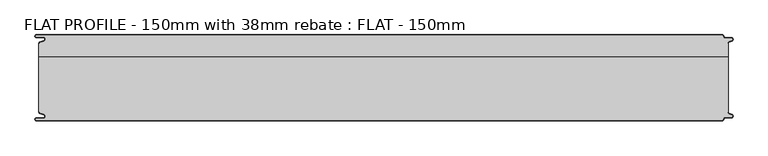
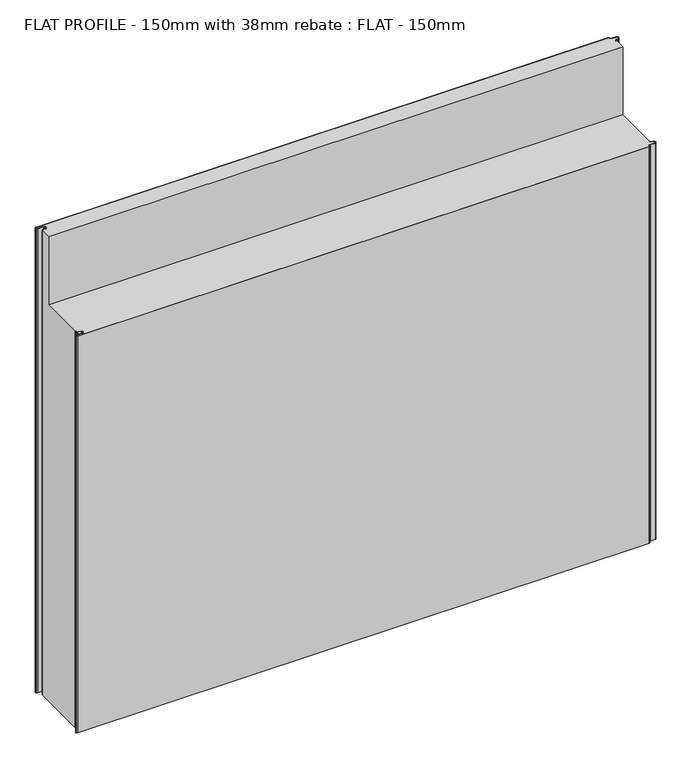
"""IFC4 building model written with IfcOpenShell, lengths in millimetres: proxy geometry, FLAT PROFILE - 150mm with 38mm rebate : FLAT - 150mm."""

import ifcopenshell
import ifcopenshell.guid

model = None  # the IFC model being written
_history = None  # IfcOwnerHistory: only IFC2X3 demands one
_inside = {}  # id of a spatial element -> (the spatial element, [elements in it])
_under = {}  # id of a project, library or spatial element -> (it, [spatial elements below it])
_declared = {}  # id of a project -> (the project, [libraries it declares])
_typed = {}  # id of a type object -> (the type object, [elements of that type])
_made_of = {}  # id of a material, layer set ... -> (it, [elements and type objects made of it])


def new_model(schema):
    """Start an empty IFC model of exactly this schema.

    Asked for "IFC4X3", IfcOpenShell would pick the latest addendum, in which some entities
    have other attributes; the version numbers below select the first issue.
    IFC2X3 requires an IfcOwnerHistory on every rooted entity: one is made here for all.
    """
    global model, _history
    if schema == "IFC4X3":
        model = ifcopenshell.file(schema_version=(4, 3, 0, 0))
    else:
        model = ifcopenshell.file(schema=schema)
    _inside.clear()
    _under.clear()
    _declared.clear()
    _typed.clear()
    _made_of.clear()
    _history = None
    if model.schema == "IFC2X3":
        org = make("IfcOrganization", Name="unknown")
        user = make(
            "IfcPersonAndOrganization",
            ThePerson=make("IfcPerson", FamilyName="unknown"),
            TheOrganization=org,
        )
        app = make(
            "IfcApplication",
            ApplicationDeveloper=org,
            Version="unknown",
            ApplicationFullName="unknown",
            ApplicationIdentifier="unknown",
        )
        _history = make(
            "IfcOwnerHistory",
            OwningUser=user,
            OwningApplication=app,
            ChangeAction="ADDED",
            CreationDate=0,
        )
    return model


def make(cls, **values):
    """One entity of the class cls with the attributes given. An attribute that is None is left unset."""
    return model.create_entity(
        cls, **{name: value for name, value in values.items() if value is not None}
    )


def rooted(cls, **values):
    """An entity with a GlobalId (a new one), such as an element, a storey or a relation."""
    return make(cls, GlobalId=ifcopenshell.guid.new(), OwnerHistory=_history, **values)


def si_unit(unit_type, name, prefix=None):
    """IfcSIUnit, for example si_unit("LENGTHUNIT", "METRE", prefix="MILLI")."""
    return make("IfcSIUnit", UnitType=unit_type, Prefix=prefix, Name=name)


def assignment(units):
    """IfcUnitAssignment: the units of a project."""
    return None if units is None else make("IfcUnitAssignment", Units=units)


def point(xyz):
    """IfcCartesianPoint."""
    return None if xyz is None else make("IfcCartesianPoint", Coordinates=xyz)


def direction(xyz):
    """IfcDirection."""
    return None if xyz is None else make("IfcDirection", DirectionRatios=xyz)


def frame(location, z_axis=None, x_axis=None):
    """IfcAxis2Placement3D, a coordinate frame: its origin and axes. An axis left out is left unset."""
    return make(
        "IfcAxis2Placement3D",
        Location=point(location),
        Axis=direction(z_axis),
        RefDirection=direction(x_axis),
    )


def frame_2d(location, x_axis=None):
    """IfcAxis2Placement2D, a coordinate frame in the plane: its origin and x axis."""
    return make(
        "IfcAxis2Placement2D", Location=point(location), RefDirection=direction(x_axis)
    )


def origin():
    """The frame at (0, 0, 0) with its axes left unset."""
    return frame((0.0, 0.0, 0.0))


def origin_with_axes():
    """The frame at (0, 0, 0) with the z axis (0, 0, 1) and the x axis (1, 0, 0) written out."""
    return frame((0.0, 0.0, 0.0), z_axis=(0.0, 0.0, 1.0), x_axis=(1.0, 0.0, 0.0))


def place(relative_to, where):
    """IfcLocalPlacement: puts the frame where relative to a parent placement (None: the world)."""
    return make(
        "IfcLocalPlacement", PlacementRelTo=relative_to, RelativePlacement=where
    )


def context(
    kind, dimensions, precision=None, world=None, true_north=None, identifier=None
):
    """IfcGeometricRepresentationContext, for example the 3D "Model" context."""
    return make(
        "IfcGeometricRepresentationContext",
        ContextIdentifier=identifier,
        ContextType=kind,
        CoordinateSpaceDimension=dimensions,
        Precision=precision,
        WorldCoordinateSystem=world,
        TrueNorth=true_north,
    )


def project(units=None, contexts=None):
    """IfcProject with its units and contexts."""
    return rooted(
        "IfcProject",
        Name="project",
        RepresentationContexts=contexts,
        UnitsInContext=assignment(units),
    )


def spatial(cls, under=None, at=None, **own):
    """A site, building, storey or space (cls), placed at a placement, below another one or the project."""
    s = rooted(cls, ObjectPlacement=at, **own)
    if under is not None:
        _under.setdefault(under.id(), (under, []))[1].append(s)
    return s


def polyline(points):
    """IfcPolyline through the points."""
    return make("IfcPolyline", Points=[point(p) for p in points])


def circle_curve(where, radius):
    """IfcCircle in the frame where."""
    return make("IfcCircle", Position=where, Radius=radius)


def trimmed(basis, trim1, trim2, sense, master):
    """IfcTrimmedCurve: the piece of a basis curve between two trims."""
    return make(
        "IfcTrimmedCurve",
        BasisCurve=basis,
        Trim1=trim1,
        Trim2=trim2,
        SenseAgreement=sense,
        MasterRepresentation=master,
    )


def segment(curve, same_sense, transition):
    """IfcCompositeCurveSegment."""
    return make(
        "IfcCompositeCurveSegment",
        Transition=transition,
        SameSense=same_sense,
        ParentCurve=curve,
    )


def composite_curve(segments, self_intersect=None):
    """IfcCompositeCurve: segments joined end to end."""
    return make("IfcCompositeCurve", Segments=segments, SelfIntersect=self_intersect)


def outline(outer, holes=None, kind="AREA"):
    """IfcArbitraryClosedProfileDef: a profile drawn as a closed curve; with holes, ...WithVoids."""
    if holes is None:
        return make("IfcArbitraryClosedProfileDef", ProfileType=kind, OuterCurve=outer)
    return make(
        "IfcArbitraryProfileDefWithVoids",
        ProfileType=kind,
        OuterCurve=outer,
        InnerCurves=holes,
    )


def extrude(swept, where, along, depth):
    """IfcExtrudedAreaSolid: the profile swept, set in the frame where, extruded along a direction by depth."""
    return make(
        "IfcExtrudedAreaSolid",
        SweptArea=swept,
        Position=where,
        ExtrudedDirection=direction(along),
        Depth=depth,
    )


def shape(context_of_items, identifier, shape_type, items):
    """IfcShapeRepresentation: the items that make up one representation, for example the "Body"."""
    return make(
        "IfcShapeRepresentation",
        ContextOfItems=context_of_items,
        RepresentationIdentifier=identifier,
        RepresentationType=shape_type,
        Items=items,
    )


def source(mapping_origin, context_of_items, identifier, shape_type, items):
    """IfcRepresentationMap: a shape defined once, which mapped items show again and again."""
    return make(
        "IfcRepresentationMap",
        MappingOrigin=mapping_origin,
        MappedRepresentation=shape(context_of_items, identifier, shape_type, items),
    )


def transform(
    local_origin,
    x_axis=None,
    y_axis=None,
    z_axis=None,
    scale=None,
    scale2=None,
    scale3=None,
    uniform=True,
):
    """IfcCartesianTransformationOperator3D, or its non-uniform kind. x_axis, y_axis, z_axis: its Axis1, 2, 3."""
    if uniform:
        return make(
            "IfcCartesianTransformationOperator3D",
            Axis1=direction(x_axis),
            Axis2=direction(y_axis),
            LocalOrigin=point(local_origin),
            Scale=scale,
            Axis3=direction(z_axis),
        )
    return make(
        "IfcCartesianTransformationOperator3DnonUniform",
        Axis1=direction(x_axis),
        Axis2=direction(y_axis),
        LocalOrigin=point(local_origin),
        Scale=scale,
        Axis3=direction(z_axis),
        Scale2=scale2,
        Scale3=scale3,
    )


def mapped(mapping_source, mapping_target):
    """IfcMappedItem: shows the shape of a source again, moved by a transform."""
    return make(
        "IfcMappedItem", MappingSource=mapping_source, MappingTarget=mapping_target
    )


def made_of(thing, what):
    """Note that an element or type object is made of a material, layer set ...; save() writes the relation."""
    if what is not None:
        _made_of.setdefault(what.id(), (what, []))[1].append(thing)
    return thing


def element(
    cls,
    number,
    at=None,
    inside=None,
    cuts=None,
    type_object=None,
    material=None,
    context=None,
    identifier="Body",
    shape_type=None,
    held_by="IfcProductDefinitionShape",
    body=None,
    shapes=None,
    **own,
):
    """One element of the class cls, such as IfcWall. Its Tag is "e" and its number.

    at: its placement. inside: the storey or other place that contains it. cuts: it is an
    opening in that element (IfcRelVoidsElement). A single representation is given by context,
    identifier, shape_type and body (its items); several are given by shapes. held_by: the class
    of the entity that holds the representations. save() writes the other relations.
    """
    e = rooted(cls, Tag="e%d" % number, ObjectPlacement=at, **own)
    if body is not None:
        shapes = [shape(context, identifier, shape_type, body)]
    if shapes is not None:
        e.Representation = make(held_by, Representations=shapes)
    if inside is not None:
        _inside.setdefault(inside.id(), (inside, []))[1].append(e)
    if cuts is not None:
        rooted(
            "IfcRelVoidsElement", RelatingBuildingElement=cuts, RelatedOpeningElement=e
        )
    if type_object is not None:
        _typed.setdefault(type_object.id(), (type_object, []))[1].append(e)
    return made_of(e, material)


def aggregate(whole, parts):
    """IfcRelAggregates: a whole, such as a stair, and the parts it consists of."""
    return rooted("IfcRelAggregates", RelatingObject=whole, RelatedObjects=parts)


def save(model, path):
    """Write the relations noted so far, then the file.

    IfcRelAggregates (storeys below a building ...), IfcRelContainedInSpatialStructure (elements
    in a storey), IfcRelDefinesByType, IfcRelAssociatesMaterial and IfcRelDeclares: one each for
    every whole, place, type object, material and project.
    """
    for whole, parts in _under.values():
        aggregate(whole, parts)
    for where, things in _inside.values():
        rooted(
            "IfcRelContainedInSpatialStructure",
            RelatedElements=things,
            RelatingStructure=where,
        )
    for kind, things in _typed.values():
        rooted("IfcRelDefinesByType", RelatedObjects=things, RelatingType=kind)
    for what, things in _made_of.values():
        rooted("IfcRelAssociatesMaterial", RelatedObjects=things, RelatingMaterial=what)
    for by, libraries in _declared.values():
        rooted("IfcRelDeclares", RelatingContext=by, RelatedDefinitions=libraries)
    model.write(path)


def plane_surface(at):
    """IfcPlane: the flat surface through the origin of the frame at, square to its z axis."""
    return make("IfcPlane", Position=at)


def cylinder_surface(at, radius):
    """IfcCylindricalSurface: all points at the distance radius from the z axis of the frame at."""
    return make("IfcCylindricalSurface", Position=at, Radius=radius)


def revolved_surface(curve, axis_point, axis_direction):
    """IfcSurfaceOfRevolution: the curve turned about the line through axis_point along axis_direction."""
    return make(
        "IfcSurfaceOfRevolution",
        SweptCurve=make("IfcArbitraryOpenProfileDef", ProfileType="CURVE", Curve=curve),
        AxisPosition=make("IfcAxis1Placement", Location=point(axis_point), Axis=direction(axis_direction)),
    )


def advanced_brep(points, edges, surfaces, faces):
    """IfcAdvancedBrep: a solid bounded by faces that lie on surfaces and meet in shared edges.

    An edge is (start, end): straight between two places in points (the first is 0);
    or (start, end, curve); or (start, end, curve, False) where it runs against its curve.
    A face is (place in surfaces, loops), or (place, loops, False) where it looks against
    its surface's normal. A loop lists edges by number (the first is 1), with a minus sign
    where the edge is run from its end to its start. The first loop is the outer one.
    """
    corners = [point(p) for p in points]
    vertices = [make("IfcVertexPoint", VertexGeometry=c) for c in corners]
    made = []
    for start, end, *more in edges:
        made.append(
            make(
                "IfcEdgeCurve",
                EdgeStart=vertices[start],
                EdgeEnd=vertices[end],
                EdgeGeometry=more[0] if more else make("IfcPolyline", Points=[corners[start], corners[end]]),
                SameSense=more[1] if len(more) > 1 else True,
            )
        )
    hull = []
    for where, loops, *sense in faces:
        bounds = []
        for j, loop in enumerate(loops):
            ring = [make("IfcOrientedEdge", EdgeElement=made[abs(k) - 1], Orientation=k > 0) for k in loop]
            bounds.append(
                make(
                    "IfcFaceOuterBound" if j == 0 else "IfcFaceBound",
                    Bound=make("IfcEdgeLoop", EdgeList=ring),
                    Orientation=True,
                )
            )
        hull.append(make("IfcAdvancedFace", Bounds=bounds, FaceSurface=surfaces[where], SameSense=sense[0] if sense else True))
    return make("IfcAdvancedBrep", Outer=make("IfcClosedShell", CfsFaces=hull))


def flat_profile_150mm_with_38mm_rebate_flat_150mm_8ee31aeb(model_context):
    return source(origin(), model_context, "Body", "SolidModel", [
        advanced_brep(
        [(-592.9881924, 59.2522214, 1025.0), (-592.9881924, 36.9999981, 1025.0), (607.0118076, 36.9999981, 1025.0), (607.0118076, 59.2522195, 1025.0), (606.0107004, 59.2522195, 1025.0), (606.0682599, 60.4750703, 1025.0), (607.8546835, 62.9154119, 1025.0), (610.7828028, 64.1062964, 1025.0), (613.0435993, 64.9316951, 1025.0), (612.3116271, 68.9999981, 1025.0), (601.9112919, 68.9999981, 1025.0), (598.4115951, 72.45393, 1025.0), (596.902372, 73.9999981, 1025.0), (-597.3084562, 73.9999981, 1025.0), (-597.3733883, 71.016007, 1025.0), (-584.9273771, 71.016007, 1025.0), (-583.8995097, 63.9124389, 1025.0), (-589.3904999, 61.9138819, 1025.0), (-591.3794419, 61.1128932, 1025.0), (-591.9881924, 60.3779319, 1025.0), (-591.9881924, 59.2522214, 1025.0), (-591.3794419, -61.1128969, 0.0), (-591.9881924, -60.3779357, 0.0), (-591.9881924, -59.2522214, 0.0), (-592.9881924, -59.2522214, 0.0), (-592.9881924, 59.2522214, 0.0), (-591.9881924, 59.2522214, 0.0), (-591.9881924, 60.3779319, 0.0), (-591.3794419, 61.1128932, 0.0), (-589.3904999, 61.9138819, 0.0), (-583.8995097, 63.9124389, 0.0), (-584.9273771, 71.016007, 0.0), (-597.3733883, 71.016007, 0.0), (-597.3084562, 73.9999981, 0.0), (596.902372, 73.9999981, 0.0), (598.4115951, 72.45393, 0.0), (601.9112919, 68.9999981, 0.0), (612.3116271, 68.9999981, 0.0), (613.0435993, 64.9316951, 0.0), (610.7828028, 64.1062964, 0.0), (607.8546835, 62.9154119, 0.0), (606.0682599, 60.4750703, 0.0), (606.0107004, 59.2522195, 0.0), (607.0118076, 59.2522195, 0.0), (607.0118076, -59.2522232, 0.0), (606.0107004, -59.2522232, 0.0), (606.0682599, -60.475074, 0.0), (607.8546835, -62.9154156, 0.0), (610.7828028, -64.1063001, 0.0), (613.0435993, -64.9316988, 0.0), (612.3116271, -69.0000019, 0.0), (601.9112919, -69.0000019, 0.0), (598.4115951, -72.4539337, 0.0), (596.902372, -74.0000019, 0.0), (-597.3084562, -74.0000019, 0.0), (-597.3733883, -71.0160107, 0.0), (-584.9273771, -71.0160107, 0.0), (-583.8995097, -63.9124426, 0.0), (-589.3904999, -61.9138856, 0.0), (-591.3794419, -61.1128969, 875.0), (-591.9881924, -60.3779357, 875.0), (-591.9881924, -59.2522214, 875.0), (-592.9881924, -59.2522214, 875.0), (-592.9881924, 36.9999981, 875.0), (607.0118076, 36.9999981, 875.0), (607.0118076, -59.2522232, 875.0), (606.0107004, -59.2522232, 875.0), (606.0682599, -60.475074, 875.0), (607.8546835, -62.9154156, 875.0), (610.7828028, -64.1063001, 875.0), (613.0435993, -64.9316988, 875.0), (612.3116271, -69.0000019, 875.0), (601.9112919, -69.0000019, 875.0), (598.4115951, -72.4539337, 875.0), (596.902372, -74.0000019, 875.0), (-597.3084562, -74.0000019, 875.0), (-597.3733883, -71.0160107, 875.0), (-584.9273771, -71.0160107, 875.0), (-583.8995097, -63.9124426, 875.0), (-589.3904999, -61.9138856, 875.0)],
        [
            (0, 1),
            (1, 2),
            (2, 3),
            (3, 4),
            (4, 5),
            (5, 6, circle_curve(frame((608.9399875, 60.2468916, 1025.0), z_axis=(0.0, 0.0, -1.0), x_axis=(-0.37673982165718617, 0.9263191171392889, 0.0)), 2.8807786)),
            (6, 7),
            (7, 8),
            (8, 9, circle_curve(frame((612.3116271, 66.8999981, 1025.0), z_axis=(0.0, 0.0, 1.0), x_axis=(0.0, 1.0, 0.0)), 2.1)),
            (9, 10),
            (10, 11, circle_curve(frame((601.9112919, 72.4999981, 1025.0), z_axis=(0.0, 0.0, -1.0), x_axis=(-0.9999133729245651, -0.013162319196090405, 0.0)), 3.5)),
            (11, 12, circle_curve(frame((596.9047345, 72.4926422, 1025.0), z_axis=(0.0, 0.0, 1.0), x_axis=(-0.0015673364807945796, 0.9999987717274237, 0.0)), 1.5073578)),
            (12, 13),
            (13, 14, circle_curve(frame((-597.4921978, 72.5112943, 1025.0), z_axis=(0.0, 0.0, 1.0), x_axis=(0.07920631384695365, -0.9968582446099234, 0.0)), 1.5)),
            (14, 15),
            (15, 16, circle_curve(frame((-585.2882153, 67.3376458, 1025.0), z_axis=(0.0, 0.0, -1.0), x_axis=(0.3757302444367238, -0.926729077678865, 0.0)), 3.6960175)),
            (16, 17),
            (17, 18),
            (18, 19, circle_curve(frame((-591.0050311, 60.1831907, 1025.0), z_axis=(0.0, 0.0, 1.0), x_axis=(-0.9809418279781315, 0.1943016472470625, 0.0)), 1.0022625)),
            (19, 20),
            (20, 0),
            (21, 22, circle_curve(frame((-591.0050311, -60.1831944, 0.0), z_axis=(0.0, 0.0, -1.0), x_axis=(-0.9809418279781308, -0.19430164724706622, 0.0)), 1.0022625)),
            (22, 23),
            (23, 24),
            (24, 25),
            (25, 26),
            (26, 27),
            (27, 28, circle_curve(frame((-591.0050311, 60.1831907, 0.0), z_axis=(0.0, 0.0, -1.0), x_axis=(-0.9809418279781315, 0.1943016472470625, 0.0)), 1.0022625)),
            (28, 29),
            (29, 30),
            (30, 31, circle_curve(frame((-585.2882153, 67.3376458, 0.0), z_axis=(0.0, 0.0, 1.0), x_axis=(0.3757302444367238, -0.926729077678865, 0.0)), 3.6960175)),
            (31, 32),
            (32, 33, circle_curve(frame((-597.4921978, 72.5112943, 0.0), z_axis=(0.0, 0.0, -1.0), x_axis=(0.07920631384695365, -0.9968582446099234, 0.0)), 1.5)),
            (33, 34),
            (34, 35, circle_curve(frame((596.9047345, 72.4926422, 0.0), z_axis=(0.0, 0.0, -1.0), x_axis=(-0.0015673364807945796, 0.9999987717274237, 0.0)), 1.5073578)),
            (35, 36, circle_curve(frame((601.9112919, 72.4999981, 0.0), z_axis=(0.0, 0.0, 1.0), x_axis=(-0.9999133729245651, -0.013162319196090405, 0.0)), 3.5)),
            (36, 37),
            (37, 38, circle_curve(frame((612.3116271, 66.8999981, 0.0), z_axis=(0.0, 0.0, -1.0), x_axis=(0.0, 1.0, 0.0)), 2.1)),
            (38, 39),
            (39, 40),
            (40, 41, circle_curve(frame((608.9399875, 60.2468916, 0.0), z_axis=(0.0, 0.0, 1.0), x_axis=(-0.37673982165718617, 0.9263191171392889, 0.0)), 2.8807786)),
            (41, 42),
            (42, 43),
            (43, 44),
            (44, 45),
            (45, 46),
            (46, 47, circle_curve(frame((608.9399875, -60.2468953, 0.0), z_axis=(0.0, 0.0, 1.0), x_axis=(-0.3767398216573044, -0.9263191171392408, 0.0)), 2.8807786)),
            (47, 48),
            (48, 49),
            (49, 50, circle_curve(frame((612.3116271, -66.9000019, 0.0), z_axis=(0.0, 0.0, -1.0), x_axis=(0.0, -1.0, 0.0)), 2.1)),
            (50, 51),
            (51, 52, circle_curve(frame((601.9112919, -72.5000019, 0.0), z_axis=(0.0, 0.0, 1.0), x_axis=(-0.9999133729245651, 0.01316231919608663, 0.0)), 3.5)),
            (52, 53, circle_curve(frame((596.9047345, -72.4926459, 0.0), z_axis=(0.0, 0.0, -1.0), x_axis=(-0.001567336480790923, -0.9999987717274237, 0.0)), 1.5073578)),
            (53, 54),
            (54, 55, circle_curve(frame((-597.4921978, -72.511298, 0.0), z_axis=(0.0, 0.0, -1.0), x_axis=(0.07920631384694989, 0.9968582446099238, 0.0)), 1.5)),
            (55, 56),
            (56, 57, circle_curve(frame((-585.2882153, -67.3376495, 0.0), z_axis=(0.0, 0.0, 1.0), x_axis=(0.3757302444367203, 0.9267290776788665, 0.0)), 3.6960175)),
            (57, 58),
            (58, 21),
            (21, 59),
            (59, 60, circle_curve(frame((-591.0050311, -60.1831944, 875.0), z_axis=(0.0, 0.0, -1.0), x_axis=(-0.9809418279781308, -0.19430164724706622, 0.0)), 1.0022625)),
            (60, 22),
            (60, 61),
            (61, 23),
            (61, 62),
            (62, 24),
            (62, 63),
            (63, 1),
            (0, 25),
            (20, 26),
            (19, 27),
            (18, 28),
            (17, 29),
            (16, 30),
            (15, 31),
            (14, 32),
            (13, 33),
            (12, 34),
            (11, 35),
            (10, 36),
            (9, 37),
            (8, 38),
            (7, 39),
            (6, 40),
            (5, 41),
            (4, 42),
            (3, 43),
            (2, 64),
            (64, 65),
            (65, 44),
            (65, 66),
            (66, 45),
            (66, 67),
            (67, 46),
            (67, 68, circle_curve(frame((608.9399875, -60.2468953, 875.0), z_axis=(0.0, 0.0, 1.0), x_axis=(-0.3767398216573044, -0.9263191171392408, 0.0)), 2.8807786)),
            (68, 47),
            (68, 69),
            (69, 48),
            (69, 70),
            (70, 49),
            (70, 71, circle_curve(frame((612.3116271, -66.9000019, 875.0), z_axis=(0.0, 0.0, -1.0), x_axis=(0.0, -1.0, 0.0)), 2.1)),
            (71, 50),
            (71, 72),
            (72, 51),
            (72, 73, circle_curve(frame((601.9112919, -72.5000019, 875.0), z_axis=(0.0, 0.0, 1.0), x_axis=(-0.9999133729245651, 0.01316231919608663, 0.0)), 3.5)),
            (73, 52),
            (73, 74, circle_curve(frame((596.9047345, -72.4926459, 875.0), z_axis=(0.0, 0.0, -1.0), x_axis=(-0.001567336480790923, -0.9999987717274237, 0.0)), 1.5073578)),
            (74, 53),
            (74, 75),
            (75, 54),
            (75, 76, circle_curve(frame((-597.4921978, -72.511298, 875.0), z_axis=(0.0, 0.0, -1.0), x_axis=(0.07920631384694989, 0.9968582446099238, 0.0)), 1.5)),
            (76, 55),
            (76, 77),
            (77, 56),
            (77, 78, circle_curve(frame((-585.2882153, -67.3376495, 875.0), z_axis=(0.0, 0.0, 1.0), x_axis=(0.3757302444367203, 0.9267290776788665, 0.0)), 3.6960175)),
            (78, 57),
            (78, 79),
            (79, 58),
            (79, 59),
            (64, 63),
        ],
        [
            plane_surface(frame((0.0, 0.0, 1025.0), z_axis=(0.0, 0.0, 1.0), x_axis=(1.0, 0.0, 0.0))),
            plane_surface(frame((0.0, 0.0, 0.0), z_axis=(0.0, 0.0, -1.0), x_axis=(1.0, 0.0, 0.0))),
            cylinder_surface(frame((-591.0050311, -60.1831944, 1025.0), z_axis=(0.0, 0.0, 1.0), x_axis=(-0.9809418279781308, -0.19430164724706622, 0.0)), 1.0022625),
            plane_surface(frame((-591.9881924, -60.3779357, 1025.0), z_axis=(-1.0, 0.0, 0.0), x_axis=(0.0, 0.0, -1.0))),
            plane_surface(frame((-591.9881924, -59.2522214, 1025.0), z_axis=(0.0, -1.0, 0.0), x_axis=(0.0, 0.0, -1.0))),
            plane_surface(frame((-592.9881924, -59.2522214, 1025.0), z_axis=(-1.0, 0.0, 0.0), x_axis=(0.0, 0.0, -1.0))),
            plane_surface(frame((-592.9881924, 59.2522214, 1025.0), z_axis=(0.0, 1.0, 0.0), x_axis=(0.0, 0.0, -1.0))),
            plane_surface(frame((-591.9881924, 59.2522214, 1025.0), z_axis=(-1.0, 0.0, 0.0), x_axis=(0.0, 0.0, -1.0))),
            cylinder_surface(frame((-591.0050311, 60.1831907, 1025.0), z_axis=(0.0, 0.0, 1.0), x_axis=(-0.9809418279781315, 0.1943016472470625, 0.0)), 1.0022625),
            plane_surface(frame((-591.3794419, 61.1128932, 1025.0), z_axis=(-0.3735655344162246, 0.927603790147669, 0.0), x_axis=(0.0, 0.0, -1.0))),
            plane_surface(frame((-589.3904999, 61.9138819, 1025.0), z_axis=(-0.34202014332566044, 0.9396926207859114, 0.0), x_axis=(0.0, 0.0, -1.0))),
            revolved_surface(polyline([(-583.8995097412826, 63.91243891114006, 0.0), (-583.8995097412826, 63.91243891114006, 1025.0)]), (-585.2882153, 67.3376458, 1025.0), (0.0, 0.0, -1.0)),
            plane_surface(frame((-584.9273771, 71.016007, 1025.0), z_axis=(0.0, -1.0, 0.0), x_axis=(0.0, 0.0, -1.0))),
            cylinder_surface(frame((-597.4921978, 72.5112943, 1025.0), z_axis=(0.0, 0.0, 1.0), x_axis=(0.07920631384695365, -0.9968582446099234, 0.0)), 1.5),
            plane_surface(frame((-597.3084562, 73.9999981, 1025.0), z_axis=(0.0, 1.0, 0.0), x_axis=(0.0, 0.0, -1.0))),
            cylinder_surface(frame((596.9047345, 72.4926422, 1025.0), z_axis=(0.0, 0.0, 1.0), x_axis=(-0.0015673364807945796, 0.9999987717274237, 0.0)), 1.5073578),
            revolved_surface(polyline([(598.411595094764, 72.45392998281368, 0.0), (598.411595094764, 72.45392998281368, 1025.0)]), (601.9112919, 72.4999981, 1025.0), (0.0, 0.0, -1.0)),
            plane_surface(frame((601.9112919, 68.9999981, 1025.0), z_axis=(0.0, 1.0, 0.0), x_axis=(0.0, 0.0, -1.0))),
            cylinder_surface(frame((612.3116271, 66.8999981, 1025.0), z_axis=(0.0, 0.0, 1.0), x_axis=(0.0, 1.0, 0.0)), 2.1),
            plane_surface(frame((613.0435993, 64.9316951, 1025.0), z_axis=(0.3429504420524923, -0.939353498048525, 0.0), x_axis=(0.0, 0.0, -1.0))),
            plane_surface(frame((610.7828028, 64.1062964, 1025.0), z_axis=(0.3767398216573625, -0.9263191171392172, 0.0), x_axis=(0.0, 0.0, -1.0))),
            revolved_surface(polyline([(607.8546834840022, 62.915411889425755, -4.547473508864641e-13), (607.8546834840022, 62.915411889425755, 1025.0)]), (608.9399875, 60.2468916, 1025.0), (0.0, 0.0, -1.0000000000000002)),
            plane_surface(frame((606.0682599, 60.4750703, 1025.0), z_axis=(0.9988940489238197, -0.047017858570736114, 0.0), x_axis=(0.0, 0.0, -1.0))),
            plane_surface(frame((606.0107004, 59.2522195, 1025.0), z_axis=(0.0, 1.0, 0.0), x_axis=(0.0, 0.0, -1.0))),
            plane_surface(frame((607.0118076, 59.2522195, 1025.0), z_axis=(1.0, 0.0, 0.0), x_axis=(0.0, 0.0, -1.0))),
            plane_surface(frame((607.0118076, -59.2522232, 1025.0), z_axis=(0.0, -1.0, 0.0), x_axis=(0.0, 0.0, -1.0))),
            plane_surface(frame((606.0107004, -59.2522232, 1025.0), z_axis=(0.9988940489238193, 0.0470178585707465, 0.0), x_axis=(0.0, 0.0, -1.0))),
            revolved_surface(polyline([(607.8546834840018, -62.91541558942561, 0.0), (607.8546834840018, -62.91541558942561, 875.0)]), (608.9399875, -60.2468953, 1025.0), (0.0, 0.0, -1.0)),
            plane_surface(frame((607.8546835, -62.9154156, 1025.0), z_axis=(0.3767398216573234, 0.9263191171392331, 0.0), x_axis=(0.0, 0.0, -1.0))),
            plane_surface(frame((610.7828028, -64.1063001, 1025.0), z_axis=(0.3429504420524923, 0.939353498048525, 0.0), x_axis=(0.0, 0.0, -1.0))),
            cylinder_surface(frame((612.3116271, -66.9000019, 1025.0), z_axis=(0.0, 0.0, 1.0), x_axis=(0.0, -1.0, 0.0)), 2.1),
            plane_surface(frame((612.3116271, -69.0000019, 1025.0), z_axis=(0.0, -1.0, 0.0), x_axis=(0.0, 0.0, -1.0))),
            revolved_surface(polyline([(598.411595094764, -72.45393378281369, 0.0), (598.411595094764, -72.45393378281369, 875.0)]), (601.9112919, -72.5000019, 1025.0), (0.0, 0.0, -1.0)),
            cylinder_surface(frame((596.9047345, -72.4926459, 1025.0), z_axis=(0.0, 0.0, 1.0), x_axis=(-0.001567336480790923, -0.9999987717274237, 0.0)), 1.5073578),
            plane_surface(frame((596.902372, -74.0000019, 1025.0), z_axis=(0.0, -1.0, 0.0), x_axis=(0.0, 0.0, -1.0))),
            cylinder_surface(frame((-597.4921978, -72.511298, 1025.0), z_axis=(0.0, 0.0, 1.0000000000000002), x_axis=(0.07920631384694989, 0.9968582446099238, 0.0)), 1.5),
            plane_surface(frame((-597.3733883, -71.0160107, 1025.0), z_axis=(0.0, 1.0, 0.0), x_axis=(0.0, 0.0, -1.0))),
            revolved_surface(polyline([(-583.8995097412826, -63.91244261114005, -4.547473508864641e-13), (-583.8995097412826, -63.91244261114005, 875.0)]), (-585.2882153, -67.3376495, 1025.0), (0.0, 0.0, -1.0000000000000002)),
            plane_surface(frame((-583.8995097, -63.9124426, 1025.0), z_axis=(-0.3420201433256566, -0.9396926207859129, 0.0), x_axis=(0.0, 0.0, -1.0))),
            plane_surface(frame((-589.3904999, -61.9138856, 1025.0), z_axis=(-0.37356553441622287, -0.9276037901476696, 0.0), x_axis=(0.0, 0.0, -1.0))),
            plane_surface(frame((-612.9881924, -96.1440833, 875.0), z_axis=(0.0, 0.0, 1.0), x_axis=(1.0, 0.0, 0.0))),
            plane_surface(frame((-612.9881924, 36.9999981, 1025.0), z_axis=(0.0, -1.0, 0.0), x_axis=(0.0, 0.0, -1.0))),
        ],
        [
            (0, [[1, 2, 3, 4, 5, 6, 7, 8, 9, 10, 11, 12, 13, 14, 15, 16, 17, 18, 19, 20, 21]]),
            (1, [[22, 23, 24, 25, 26, 27, 28, 29, 30, 31, 32, 33, 34, 35, 36, 37, 38, 39, 40, 41, 42, 43, 44, 45, 46, 47, 48, 49, 50, 51, 52, 53, 54, 55, 56, 57, 58, 59]]),
            (2, [[60, 61, 62, -22]]),
            (3, [[-62, 63, 64, -23]]),
            (4, [[-64, 65, 66, -24]]),
            (5, [[-66, 67, 68, -1, 69, -25]]),
            (6, [[70, -26, -69, -21]]),
            (7, [[71, -27, -70, -20]]),
            (8, [[72, -28, -71, -19]]),
            (9, [[73, -29, -72, -18]]),
            (10, [[74, -30, -73, -17]]),
            (11, [[75, -31, -74, -16]]),
            (12, [[76, -32, -75, -15]]),
            (13, [[77, -33, -76, -14]]),
            (14, [[78, -34, -77, -13]]),
            (15, [[79, -35, -78, -12]]),
            (16, [[80, -36, -79, -11]]),
            (17, [[81, -37, -80, -10]]),
            (18, [[82, -38, -81, -9]]),
            (19, [[83, -39, -82, -8]]),
            (20, [[84, -40, -83, -7]]),
            (21, [[85, -41, -84, -6]]),
            (22, [[86, -42, -85, -5]]),
            (23, [[87, -43, -86, -4]]),
            (24, [[-87, -3, 88, 89, 90, -44]]),
            (25, [[-90, 91, 92, -45]]),
            (26, [[-92, 93, 94, -46]]),
            (27, [[-94, 95, 96, -47]]),
            (28, [[-96, 97, 98, -48]]),
            (29, [[-98, 99, 100, -49]]),
            (30, [[-100, 101, 102, -50]]),
            (31, [[-102, 103, 104, -51]]),
            (32, [[-104, 105, 106, -52]]),
            (33, [[-106, 107, 108, -53]]),
            (34, [[-108, 109, 110, -54]]),
            (35, [[-110, 111, 112, -55]]),
            (36, [[-112, 113, 114, -56]]),
            (37, [[-114, 115, 116, -57]]),
            (38, [[-116, 117, 118, -58]]),
            (39, [[-118, 119, -60, -59]]),
            (40, [[-67, -65, -63, -61, -119, -117, -115, -113, -111, -109, -107, -105, -103, -101, -99, -97, -95, -93, -91, -89, 120]]),
            (41, [[-88, -2, -68, -120]]),
        ],
    ),
        extrude(outline(composite_curve([segment(polyline([(-591.3794419, -61.1128969), (-589.3904999, -61.9138856), (-583.8995097, -63.9124426)]), True, "CONTINUOUS"), segment(trimmed(circle_curve(frame_2d((-585.2882153, -67.3376495)), 3.6960175), [point((-583.8995097, -63.9124426))], [point((-584.9273771, -71.0160107))], False, "CARTESIAN"), True, "CONTINUOUS"), segment(polyline([(-584.9273771, -71.0160107), (-597.3733883, -71.0160107)]), True, "CONTINUOUS"), segment(trimmed(circle_curve(frame_2d((-597.4921978, -72.511298)), 1.5), [point((-597.3733883, -71.0160107))], [point((-597.3084562, -74.0000019))], True, "CARTESIAN"), True, "CONTINUOUS"), segment(polyline([(-597.3084562, -74.0000019), (596.902372, -74.0000019)]), True, "CONTINUOUS"), segment(trimmed(circle_curve(frame_2d((596.9047345, -72.4926459)), 1.5073578), [point((596.902372, -74.0000019))], [point((598.4115951, -72.4539337))], True, "CARTESIAN"), True, "CONTINUOUS"), segment(trimmed(circle_curve(frame_2d((601.9112919, -72.5000019)), 3.5), [point((598.4115951, -72.4539337))], [point((601.9112919, -69.0000019))], False, "CARTESIAN"), True, "CONTINUOUS"), segment(polyline([(601.9112919, -69.0000019), (612.3116271, -69.0000019)]), True, "CONTINUOUS"), segment(trimmed(circle_curve(frame_2d((612.3116271, -66.9000019)), 2.1), [point((612.3116271, -69.0000019))], [point((613.0435993, -64.9316988))], True, "CARTESIAN"), True, "CONTINUOUS"), segment(polyline([(613.0435993, -64.9316988), (610.7828028, -64.1063001), (607.8546835, -62.9154156)]), True, "CONTINUOUS"), segment(trimmed(circle_curve(frame_2d((608.9399875, -60.2468953)), 2.8807786), [point((607.8546835, -62.9154156))], [point((606.0682599, -60.475074))], False, "CARTESIAN"), True, "CONTINUOUS"), segment(polyline([(606.0682599, -60.475074), (606.0107004, -59.2522232), (607.0118076, -59.2522232), (607.0118076, -60.4591051)]), True, "CONTINUOUS"), segment(trimmed(circle_curve(frame_2d((609.0514567, -60.1592666)), 2.0615701), [point((607.0118076, -60.4591051))], [point((608.2411829, -62.0549269))], True, "CARTESIAN"), True, "CONTINUOUS"), segment(polyline([(608.2411829, -62.0549269), (611.1427659, -63.1731578), (613.3890842, -63.9932707)]), True, "CONTINUOUS"), segment(trimmed(circle_curve(frame_2d((612.3116271, -66.9000019)), 3.1), [point((613.3890842, -63.9932707))], [point((612.3116271, -70.0000019))], False, "CARTESIAN"), True, "CONTINUOUS"), segment(polyline([(612.3116271, -70.0000019), (601.9112919, -70.0000019)]), True, "CONTINUOUS"), segment(trimmed(circle_curve(frame_2d((601.9112919, -72.5000019)), 2.5), [point((601.9112919, -70.0000019))], [point((599.4117582, -72.4517176))], True, "CARTESIAN"), True, "CONTINUOUS"), segment(trimmed(circle_curve(frame_2d((596.9047345, -72.4926459)), 2.5073578), [point((599.4117582, -72.4517176))], [point((596.9016875, -75.0000019))], False, "CARTESIAN"), True, "CONTINUOUS"), segment(polyline([(596.9016875, -75.0000019), (-597.2548091, -75.0000019)]), True, "CONTINUOUS"), segment(trimmed(circle_curve(frame_2d((-597.4921978, -72.511298)), 2.5), [point((-597.2548091, -75.0000019))], [point((-597.3387672, -70.0160107))], False, "CARTESIAN"), True, "CONTINUOUS"), segment(polyline([(-597.3387672, -70.0160107), (-584.9801705, -70.0160107)]), True, "CONTINUOUS"), segment(trimmed(circle_curve(frame_2d((-585.2882153, -67.3376495)), 2.6960175), [point((-584.9801705, -70.0160107))], [point((-584.2598383, -64.8454715))], True, "CARTESIAN"), True, "CONTINUOUS"), segment(polyline([(-584.2598383, -64.8454715), (-589.7483949, -62.8478003), (-591.7530074, -62.0405007)]), True, "CONTINUOUS"), segment(trimmed(circle_curve(frame_2d((-591.0050311, -60.1831944)), 2.0022625), [point((-591.7530074, -62.0405007))], [point((-592.9881924, -60.4591051))], False, "CARTESIAN"), True, "CONTINUOUS"), segment(polyline([(-592.9881924, -60.4591051), (-592.9881924, -59.2522214), (-591.9881924, -59.2522214), (-591.9881924, -60.3779357)]), True, "CONTINUOUS"), segment(trimmed(circle_curve(frame_2d((-591.0050311, -60.1831944)), 1.0022625), [point((-591.9881924, -60.3779357))], [point((-591.3794419, -61.1128969))], True, "CARTESIAN"), True, "CONTINUOUS")], self_intersect=False)), origin_with_axes(), (0.0, 0.0, 1.0), 875.0),
        extrude(outline(composite_curve([segment(trimmed(circle_curve(frame_2d((-591.0050311, 60.1831907)), 1.0022625), [point((-591.3794419, 61.1128932))], [point((-591.9881924, 60.3779319))], True, "CARTESIAN"), True, "CONTINUOUS"), segment(polyline([(-591.9881924, 60.3779319), (-591.9881924, 59.2522177), (-592.9881924, 59.2522177), (-592.9881924, 60.4591014)]), True, "CONTINUOUS"), segment(trimmed(circle_curve(frame_2d((-591.0050311, 60.1831907)), 2.0022625), [point((-592.9881924, 60.4591014))], [point((-591.7530074, 62.040497))], False, "CARTESIAN"), True, "CONTINUOUS"), segment(polyline([(-591.7530074, 62.040497), (-589.7483949, 62.8477966), (-584.2598383, 64.8454678)]), True, "CONTINUOUS"), segment(trimmed(circle_curve(frame_2d((-585.2882153, 67.3376458)), 2.6960175), [point((-584.2598383, 64.8454678))], [point((-584.9801705, 70.016007))], True, "CARTESIAN"), True, "CONTINUOUS"), segment(polyline([(-584.9801705, 70.016007), (-597.3387672, 70.016007)]), True, "CONTINUOUS"), segment(trimmed(circle_curve(frame_2d((-597.4921978, 72.5112943)), 2.5), [point((-597.3387672, 70.016007))], [point((-597.2548091, 74.9999981))], False, "CARTESIAN"), True, "CONTINUOUS"), segment(polyline([(-597.2548091, 74.9999981), (596.9016875, 74.9999981)]), True, "CONTINUOUS"), segment(trimmed(circle_curve(frame_2d((596.9047345, 72.4926422)), 2.5073578), [point((596.9016875, 74.9999981))], [point((599.4117582, 72.4517139))], False, "CARTESIAN"), True, "CONTINUOUS"), segment(trimmed(circle_curve(frame_2d((601.9112919, 72.4999981)), 2.5), [point((599.4117582, 72.4517139))], [point((601.9112919, 69.9999981))], True, "CARTESIAN"), True, "CONTINUOUS"), segment(polyline([(601.9112919, 69.9999981), (612.3116271, 69.9999981)]), True, "CONTINUOUS"), segment(trimmed(circle_curve(frame_2d((612.3116271, 66.8999981)), 3.1), [point((612.3116271, 69.9999981))], [point((613.3890842, 63.993267))], False, "CARTESIAN"), True, "CONTINUOUS"), segment(polyline([(613.3890842, 63.993267), (611.1427659, 63.1731541), (608.2411829, 62.0549231)]), True, "CONTINUOUS"), segment(trimmed(circle_curve(frame_2d((609.0514567, 60.1592629)), 2.0615701), [point((608.2411829, 62.0549231))], [point((607.0118076, 60.4591014))], True, "CARTESIAN"), True, "CONTINUOUS"), segment(polyline([(607.0118076, 60.4591014), (607.0118076, 59.2522195), (606.0107004, 59.2522195), (606.0682599, 60.4750703)]), True, "CONTINUOUS"), segment(trimmed(circle_curve(frame_2d((608.9399875, 60.2468916)), 2.8807786), [point((606.0682599, 60.4750703))], [point((607.8546835, 62.9154119))], False, "CARTESIAN"), True, "CONTINUOUS"), segment(polyline([(607.8546835, 62.9154119), (610.7828028, 64.1062964), (613.0435993, 64.9316951)]), True, "CONTINUOUS"), segment(trimmed(circle_curve(frame_2d((612.3116271, 66.8999981)), 2.1), [point((613.0435993, 64.9316951))], [point((612.3116271, 68.9999981))], True, "CARTESIAN"), True, "CONTINUOUS"), segment(polyline([(612.3116271, 68.9999981), (601.9112919, 68.9999981)]), True, "CONTINUOUS"), segment(trimmed(circle_curve(frame_2d((601.9112919, 72.4999981)), 3.5), [point((601.9112919, 68.9999981))], [point((598.4115951, 72.45393))], False, "CARTESIAN"), True, "CONTINUOUS"), segment(trimmed(circle_curve(frame_2d((596.9047345, 72.4926422)), 1.5073578), [point((598.4115951, 72.45393))], [point((596.902372, 73.9999981))], True, "CARTESIAN"), True, "CONTINUOUS"), segment(polyline([(596.902372, 73.9999981), (-597.3084562, 73.9999981)]), True, "CONTINUOUS"), segment(trimmed(circle_curve(frame_2d((-597.4921978, 72.5112943)), 1.5), [point((-597.3084562, 73.9999981))], [point((-597.3733883, 71.016007))], True, "CARTESIAN"), True, "CONTINUOUS"), segment(polyline([(-597.3733883, 71.016007), (-584.9273771, 71.016007)]), True, "CONTINUOUS"), segment(trimmed(circle_curve(frame_2d((-585.2882153, 67.3376458)), 3.6960175), [point((-584.9273771, 71.016007))], [point((-583.8995097, 63.9124389))], False, "CARTESIAN"), True, "CONTINUOUS"), segment(polyline([(-583.8995097, 63.9124389), (-589.3904999, 61.9138819), (-591.3794419, 61.1128932)]), True, "CONTINUOUS")], self_intersect=False)), origin_with_axes(), (0.0, 0.0, 1.0), 1025.0),
    ])


if __name__ == "__main__":
    model = new_model("IFC4")
    model_context = context("Model", 3, world=origin())
    ifc_project = project(units=[si_unit("LENGTHUNIT", "METRE", prefix="MILLI")], contexts=[model_context])
    site = spatial("IfcSite", under=ifc_project)
    building = spatial("IfcBuilding", under=site)
    placement = place(None, origin())
    flat_profile_150mm_with_38mm_rebate_flat_150mm_shape = flat_profile_150mm_with_38mm_rebate_flat_150mm_8ee31aeb(model_context)
    element("IfcBuildingElementProxy", 1, Name="FLAT PROFILE - 150mm with 38mm rebate : FLAT - 150mm", ObjectType="FLAT PROFILE - 150mm with 38mm rebate : FLAT - 150mm", at=placement, inside=building, context=model_context, shape_type="MappedRepresentation", body=[
        mapped(flat_profile_150mm_with_38mm_rebate_flat_150mm_shape, transform((0.0, 0.0, 0.0), x_axis=(1.0, 0.0, 0.0), y_axis=(0.0, 1.0, 0.0), z_axis=(0.0, 0.0, 1.0))),
    ])
    save(model, "model.ifc")
